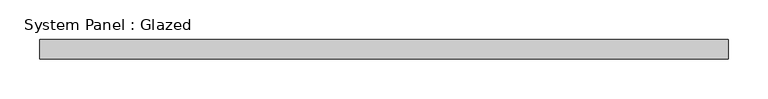
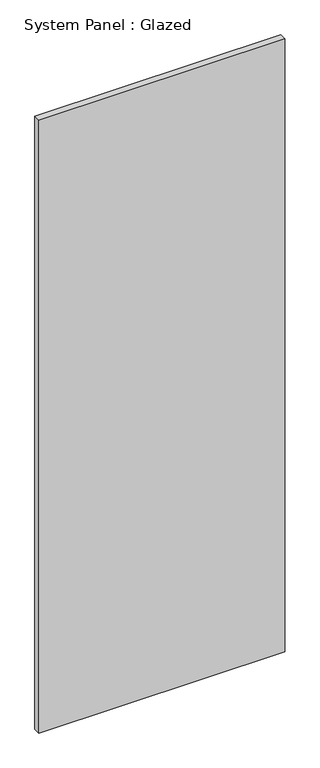
"""IFC4 building model written with IfcOpenShell, lengths in millimetres: plate geometry, System Panel : Glazed."""

from ifc_helpers import new_model, si_unit, origin, origin_with_axes, place, context, project, spatial, polyline, outline, extrude, source, transform, mapped, element, save


def system_panel_glazed_5ef71313(model_context):
    return source(origin(), model_context, "Body", "SweptSolid", [
        extrude(outline(polyline([(436.0123973, -49.5), (-436.0123973, -49.5), (-436.0123973, -24.5), (436.0123973, -24.5), (436.0123973, -49.5)])), origin_with_axes(), (0.0, 0.0, 1.0), 2300.0),
    ])


if __name__ == "__main__":
    model = new_model("IFC4")
    model_context = context("Model", 3, world=origin())
    ifc_project = project(units=[si_unit("LENGTHUNIT", "METRE", prefix="MILLI")], contexts=[model_context])
    site = spatial("IfcSite", under=ifc_project)
    building = spatial("IfcBuilding", under=site)
    placement = place(None, origin())
    system_panel_glazed_shape = system_panel_glazed_5ef71313(model_context)
    element("IfcPlate", 1, ObjectType="System Panel : Glazed", at=placement, inside=building, context=model_context, shape_type="MappedRepresentation", body=[
        mapped(system_panel_glazed_shape, transform((0.0, 0.0, 0.0), x_axis=(1.0, 0.0, 0.0), y_axis=(0.0, 1.0, 0.0), z_axis=(0.0, 0.0, 1.0))),
    ])
    save(model, "model.ifc")
